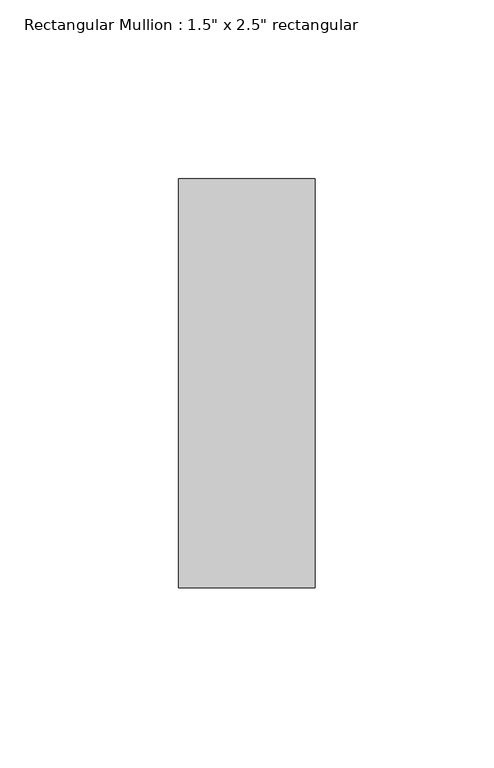
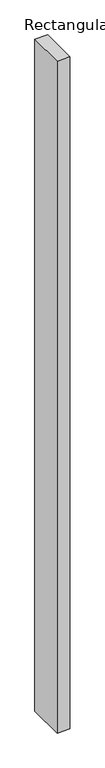
"""IFC4 building model written with IfcOpenShell, lengths in millimetres: member geometry."""

from ifc_helpers import new_model, si_unit, frame, origin, place, context, project, spatial, polyline, outline, extrude, source, transform, mapped, element, save


def member_307ca8b2(model_context):
    return source(origin(), model_context, "Body", "SweptSolid", [
        extrude(outline(polyline([(0.0, 57.15), (0.0, -57.15), (-38.1, -57.15), (-38.1, 57.15), (0.0, 57.15)])), frame((0.0, 0.0, -2114.55), z_axis=(0.0, 0.0, 1.0), x_axis=(1.0, 0.0, 0.0)), (0.0, 0.0, 1.0), 2114.55),
    ])


if __name__ == "__main__":
    model = new_model("IFC4")
    model_context = context("Model", 3, world=origin())
    ifc_project = project(units=[si_unit("LENGTHUNIT", "METRE", prefix="MILLI")], contexts=[model_context])
    site = spatial("IfcSite", under=ifc_project)
    building = spatial("IfcBuilding", under=site)
    placement = place(None, origin())
    member_shape = member_307ca8b2(model_context)
    element("IfcMember", 1, ObjectType="Rectangular Mullion : 1.5\" x 2.5\" rectangular", at=placement, inside=building, context=model_context, shape_type="MappedRepresentation", body=[
        mapped(member_shape, transform((0.0, 0.0, 0.0), x_axis=(1.0, 0.0, 0.0), y_axis=(0.0, 1.0, 0.0), z_axis=(0.0, 0.0, 1.0))),
    ])
    save(model, "model.ifc")
